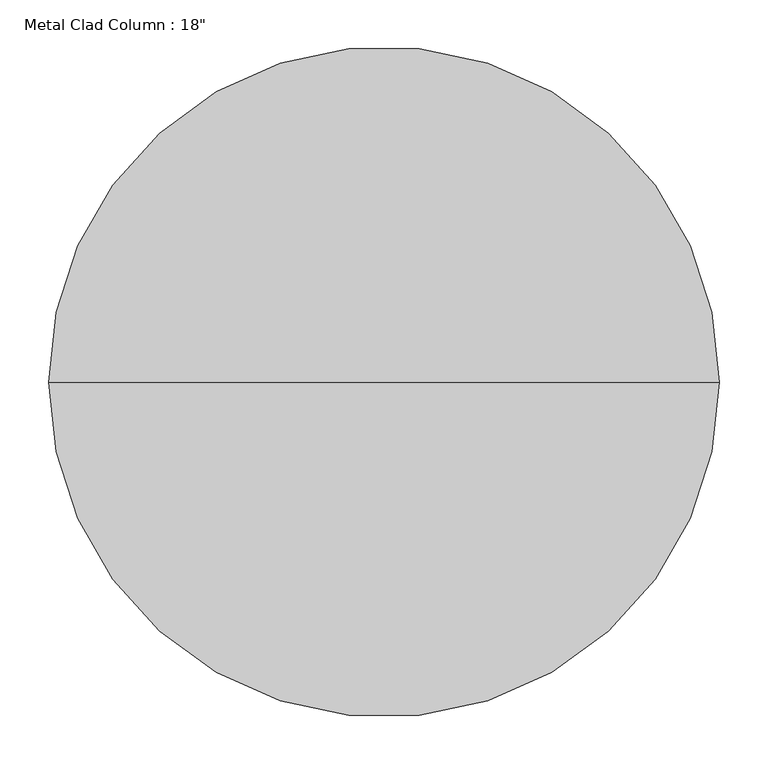
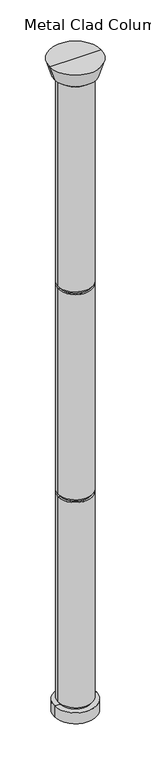
"""IFC4 building model written with IfcOpenShell, lengths in millimetres: column geometry."""

from ifc_helpers import new_model, si_unit, frame, origin, place, context, project, spatial, polyline, circle_curve, source, transform, mapped, element, save
from ifc_brep_helpers import plane_surface, cylinder_surface, revolved_surface, advanced_brep


def column_ef274b15(model_context):
    return source(origin(), model_context, "Body", "AdvancedBrep", [
        advanced_brep(
        [(0.0, 0.0, 762.0), (-279.4, 0.0, 762.0), (279.4, 0.0, 762.0), (-279.4, 0.0, 914.4), (279.4, 0.0, 914.4), (203.2, 0.0, 3869.2666667), (-203.2, 0.0, 3869.2666667), (-228.6, 0.0, 3869.2666667), (228.6, 0.0, 3869.2666667), (-228.6, 0.0, 6747.9333333), (228.6, 0.0, 6747.9333333), (203.2, 0.0, 3831.1666667), (-203.2, 0.0, 3831.1666667), (228.6, 0.0, 3831.1666667), (-228.6, 0.0, 3831.1666667), (228.6, 0.0, 952.5), (-228.6, 0.0, 952.5), (203.2, 0.0, 952.5), (-203.2, 0.0, 952.5), (203.2, 0.0, 914.4), (-203.2, 0.0, 914.4), (279.4, 0.0, 9702.8), (-279.4, 0.0, 9702.8), (-342.9, 0.0, 9906.0), (342.9, 0.0, 9906.0), (0.0, 0.0, 9906.0), (203.2, 0.0, 9702.8), (-203.2, 0.0, 9702.8), (203.2, 0.0, 9664.7), (-203.2, 0.0, 9664.7), (228.6, 0.0, 9664.7), (-228.6, 0.0, 9664.7), (228.6, 0.0, 6786.0333333), (-228.6, 0.0, 6786.0333333), (203.2, 0.0, 6786.0333333), (-203.2, 0.0, 6786.0333333), (203.2, 0.0, 6747.9333333), (-203.2, 0.0, 6747.9333333)],
        [
            (0, 1),
            (1, 2, circle_curve(frame((0.0, 0.0, 762.0), z_axis=(0.0, 0.0, -1.0), x_axis=(-1.0, 0.0, 0.0)), 279.4)),
            (2, 0),
            (2, 1, circle_curve(frame((0.0, 0.0, 762.0), z_axis=(0.0, 0.0, -1.0), x_axis=(-1.0, 0.0, 0.0)), 279.4)),
            (1, 3),
            (3, 4, circle_curve(frame((0.0, 0.0, 914.4), z_axis=(0.0, 0.0, -1.0), x_axis=(-1.0, 0.0, 0.0)), 279.4)),
            (4, 2),
            (4, 3, circle_curve(frame((0.0, 0.0, 914.4), z_axis=(0.0, 0.0, -1.0), x_axis=(-1.0, 0.0, 0.0)), 279.4)),
            (5, 6, circle_curve(frame((0.0, 0.0, 3869.2666667), z_axis=(0.0, 0.0, 1.0), x_axis=(-1.0, 0.0, 0.0)), 203.2)),
            (6, 7),
            (7, 8, circle_curve(frame((0.0, 0.0, 3869.2666667), z_axis=(0.0, 0.0, -1.0), x_axis=(-1.0, 0.0, 0.0)), 228.6)),
            (8, 5),
            (7, 9),
            (9, 10, circle_curve(frame((0.0, 0.0, 6747.9333333), z_axis=(0.0, 0.0, -1.0), x_axis=(-1.0, 0.0, 0.0)), 228.6)),
            (10, 8),
            (7, 8, circle_curve(frame((0.0, 0.0, 3869.2666667), z_axis=(0.0, 0.0, 1.0), x_axis=(-1.0, 0.0, 0.0)), 228.6)),
            (10, 9, circle_curve(frame((0.0, 0.0, 6747.9333333), z_axis=(0.0, 0.0, -1.0), x_axis=(-1.0, 0.0, 0.0)), 228.6)),
            (6, 5, circle_curve(frame((0.0, 0.0, 3869.2666667), z_axis=(0.0, 0.0, 1.0), x_axis=(-1.0, 0.0, 0.0)), 203.2)),
            (11, 12, circle_curve(frame((0.0, 0.0, 3831.1666667), z_axis=(0.0, 0.0, 1.0), x_axis=(-1.0, 0.0, 0.0)), 203.2)),
            (12, 6),
            (5, 11),
            (12, 11, circle_curve(frame((0.0, 0.0, 3831.1666667), z_axis=(0.0, 0.0, 1.0), x_axis=(-1.0, 0.0, 0.0)), 203.2)),
            (13, 14, circle_curve(frame((0.0, 0.0, 3831.1666667), z_axis=(0.0, 0.0, 1.0), x_axis=(-1.0, 0.0, 0.0)), 228.6)),
            (14, 12),
            (11, 13),
            (14, 13, circle_curve(frame((0.0, 0.0, 3831.1666667), z_axis=(0.0, 0.0, 1.0), x_axis=(-1.0, 0.0, 0.0)), 228.6)),
            (15, 16, circle_curve(frame((0.0, 0.0, 952.5), z_axis=(0.0, 0.0, 1.0), x_axis=(-1.0, 0.0, 0.0)), 228.6)),
            (16, 14),
            (13, 15),
            (16, 15, circle_curve(frame((0.0, 0.0, 952.5), z_axis=(0.0, 0.0, 1.0), x_axis=(-1.0, 0.0, 0.0)), 228.6)),
            (17, 18, circle_curve(frame((0.0, 0.0, 952.5), z_axis=(0.0, 0.0, 1.0), x_axis=(-1.0, 0.0, 0.0)), 203.2)),
            (18, 16),
            (15, 17),
            (18, 17, circle_curve(frame((0.0, 0.0, 952.5), z_axis=(0.0, 0.0, 1.0), x_axis=(-1.0, 0.0, 0.0)), 203.2)),
            (19, 20, circle_curve(frame((0.0, 0.0, 914.4), z_axis=(0.0, 0.0, 1.0), x_axis=(-1.0, 0.0, 0.0)), 203.2)),
            (20, 18),
            (17, 19),
            (20, 19, circle_curve(frame((0.0, 0.0, 914.4), z_axis=(0.0, 0.0, 1.0), x_axis=(-1.0, 0.0, 0.0)), 203.2)),
            (3, 20),
            (19, 4),
            (21, 22, circle_curve(frame((0.0, 0.0, 9702.8), z_axis=(0.0, 0.0, 1.0), x_axis=(-1.0, 0.0, 0.0)), 279.4)),
            (22, 23),
            (23, 24, circle_curve(frame((0.0, 0.0, 9906.0), z_axis=(0.0, 0.0, -1.0), x_axis=(-1.0, 0.0, 0.0)), 342.9)),
            (24, 21),
            (23, 25),
            (25, 24),
            (23, 24, circle_curve(frame((0.0, 0.0, 9906.0), z_axis=(0.0, 0.0, 1.0), x_axis=(-1.0, 0.0, 0.0)), 342.9)),
            (22, 21, circle_curve(frame((0.0, 0.0, 9702.8), z_axis=(0.0, 0.0, 1.0), x_axis=(-1.0, 0.0, 0.0)), 279.4)),
            (26, 27, circle_curve(frame((0.0, 0.0, 9702.8), z_axis=(0.0, 0.0, 1.0), x_axis=(-1.0, 0.0, 0.0)), 203.2)),
            (27, 22),
            (21, 26),
            (27, 26, circle_curve(frame((0.0, 0.0, 9702.8), z_axis=(0.0, 0.0, 1.0), x_axis=(-1.0, 0.0, 0.0)), 203.2)),
            (28, 29, circle_curve(frame((0.0, 0.0, 9664.7), z_axis=(0.0, 0.0, 1.0), x_axis=(-1.0, 0.0, 0.0)), 203.2)),
            (29, 27),
            (26, 28),
            (29, 28, circle_curve(frame((0.0, 0.0, 9664.7), z_axis=(0.0, 0.0, 1.0), x_axis=(-1.0, 0.0, 0.0)), 203.2)),
            (30, 31, circle_curve(frame((0.0, 0.0, 9664.7), z_axis=(0.0, 0.0, 1.0), x_axis=(-1.0, 0.0, 0.0)), 228.6)),
            (31, 29),
            (28, 30),
            (31, 30, circle_curve(frame((0.0, 0.0, 9664.7), z_axis=(0.0, 0.0, 1.0), x_axis=(-1.0, 0.0, 0.0)), 228.6)),
            (32, 33, circle_curve(frame((0.0, 0.0, 6786.0333333), z_axis=(0.0, 0.0, 1.0), x_axis=(-1.0, 0.0, 0.0)), 228.6)),
            (33, 31),
            (30, 32),
            (33, 32, circle_curve(frame((0.0, 0.0, 6786.0333333), z_axis=(0.0, 0.0, 1.0), x_axis=(-1.0, 0.0, 0.0)), 228.6)),
            (34, 35, circle_curve(frame((0.0, 0.0, 6786.0333333), z_axis=(0.0, 0.0, 1.0), x_axis=(-1.0, 0.0, 0.0)), 203.2)),
            (35, 33),
            (32, 34),
            (35, 34, circle_curve(frame((0.0, 0.0, 6786.0333333), z_axis=(0.0, 0.0, 1.0), x_axis=(-1.0, 0.0, 0.0)), 203.2)),
            (36, 37, circle_curve(frame((0.0, 0.0, 6747.9333333), z_axis=(0.0, 0.0, 1.0), x_axis=(-1.0, 0.0, 0.0)), 203.2)),
            (37, 35),
            (34, 36),
            (37, 36, circle_curve(frame((0.0, 0.0, 6747.9333333), z_axis=(0.0, 0.0, 1.0), x_axis=(-1.0, 0.0, 0.0)), 203.2)),
            (9, 37),
            (36, 10),
        ],
        [
            plane_surface(frame((0.0, 0.0, 762.0), z_axis=(0.0, 0.0, -1.0), x_axis=(-1.0, 0.0, 0.0))),
            cylinder_surface(frame((0.0, 0.0, 9906.0), z_axis=(0.0, 0.0, -1.0), x_axis=(-1.0, 0.0, 0.0)), 279.4),
            plane_surface(frame((0.0, 0.0, 3869.2666667), z_axis=(0.0, 0.0, -1.0), x_axis=(-1.0, 0.0, 0.0))),
            cylinder_surface(frame((0.0, 0.0, 9906.0), z_axis=(0.0, 0.0, -1.0), x_axis=(-1.0, 0.0, 0.0)), 228.6),
            cylinder_surface(frame((0.0, 0.0, 9906.0), z_axis=(0.0, 0.0, -1.0), x_axis=(-1.0, 0.0, 0.0)), 203.2),
            plane_surface(frame((0.0, 0.0, 3831.1666667), z_axis=(0.0, 0.0, 1.0), x_axis=(-1.0, 0.0, 0.0))),
            plane_surface(frame((0.0, 0.0, 952.5), z_axis=(0.0, 0.0, -1.0), x_axis=(-1.0, 0.0, 0.0))),
            plane_surface(frame((0.0, 0.0, 914.4), z_axis=(0.0, 0.0, 1.0), x_axis=(-1.0, 0.0, 0.0))),
            revolved_surface(polyline([(-342.9, 0.0, 9906.0), (-279.4, 0.0, 9702.8)]), (0.0, 0.0, 9906.0), (0.0, 0.0, -1.0)),
            plane_surface(frame((0.0, 0.0, 9906.0), z_axis=(0.0, 0.0, 1.0), x_axis=(-1.0, 0.0, 0.0))),
            plane_surface(frame((0.0, 0.0, 9702.8), z_axis=(0.0, 0.0, -1.0), x_axis=(-1.0, 0.0, 0.0))),
            plane_surface(frame((0.0, 0.0, 9664.7), z_axis=(0.0, 0.0, 1.0), x_axis=(-1.0, 0.0, 0.0))),
            plane_surface(frame((0.0, 0.0, 6786.0333333), z_axis=(0.0, 0.0, -1.0), x_axis=(-1.0, 0.0, 0.0))),
            plane_surface(frame((0.0, 0.0, 6747.9333333), z_axis=(0.0, 0.0, 1.0), x_axis=(-1.0, 0.0, 0.0))),
        ],
        [
            (0, [[1, 2, 3]]),
            (0, [[-3, 4, -1]]),
            (1, [[-2, 5, 6, 7]]),
            (1, [[-4, -7, 8, -5]]),
            (2, [[9, 10, 11, 12]]),
            (3, [[-11, 13, 14, 15]]),
            (3, [[16, -15, 17, -13]]),
            (2, [[18, -12, -16, -10]]),
            (4, [[19, 20, -9, 21]]),
            (4, [[22, -21, -18, -20]]),
            (5, [[23, 24, -19, 25]]),
            (5, [[26, -25, -22, -24]]),
            (3, [[27, 28, -23, 29]]),
            (3, [[30, -29, -26, -28]]),
            (6, [[31, 32, -27, 33]]),
            (6, [[34, -33, -30, -32]]),
            (4, [[35, 36, -31, 37]]),
            (4, [[38, -37, -34, -36]]),
            (7, [[-6, 39, -35, 40]]),
            (7, [[-8, -40, -38, -39]]),
            (8, [[41, 42, 43, 44]]),
            (9, [[-43, 45, 46]]),
            (9, [[47, -46, -45]]),
            (8, [[48, -44, -47, -42]]),
            (10, [[49, 50, -41, 51]]),
            (10, [[52, -51, -48, -50]]),
            (4, [[53, 54, -49, 55]]),
            (4, [[56, -55, -52, -54]]),
            (11, [[57, 58, -53, 59]]),
            (11, [[60, -59, -56, -58]]),
            (3, [[61, 62, -57, 63]]),
            (3, [[64, -63, -60, -62]]),
            (12, [[65, 66, -61, 67]]),
            (12, [[68, -67, -64, -66]]),
            (4, [[69, 70, -65, 71]]),
            (4, [[72, -71, -68, -70]]),
            (13, [[-14, 73, -69, 74]]),
            (13, [[-17, -74, -72, -73]]),
        ],
    ),
    ])


if __name__ == "__main__":
    model = new_model("IFC4")
    model_context = context("Model", 3, world=origin())
    ifc_project = project(units=[si_unit("LENGTHUNIT", "METRE", prefix="MILLI")], contexts=[model_context])
    site = spatial("IfcSite", under=ifc_project)
    building = spatial("IfcBuilding", under=site)
    placement = place(None, origin())
    column_shape = column_ef274b15(model_context)
    element("IfcColumn", 1, ObjectType="Metal Clad Column : 18\"", at=placement, inside=building, context=model_context, shape_type="MappedRepresentation", body=[
        mapped(column_shape, transform((0.0, 0.0, 0.0), x_axis=(1.0, 0.0, 0.0), y_axis=(0.0, 1.0, 0.0), z_axis=(0.0, 0.0, 1.0))),
    ])
    save(model, "model.ifc")
